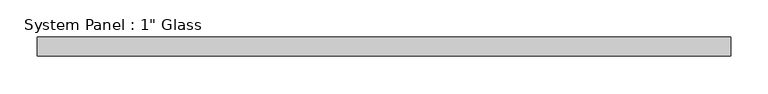
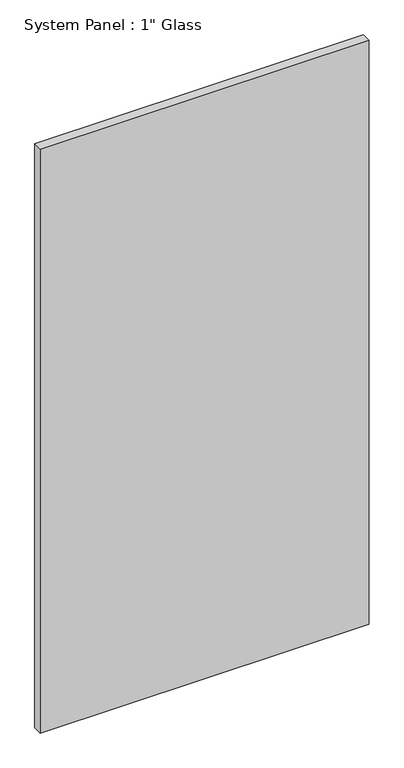
"""IFC4 building model written with IfcOpenShell, lengths in millimetres: plate geometry."""

from ifc_helpers import new_model, si_unit, origin, origin_with_axes, place, context, project, spatial, polyline, outline, extrude, source, transform, mapped, element, save


def plate_b0a1d7b6(model_context):
    return source(origin(), model_context, "Body", "SweptSolid", [
        extrude(outline(polyline([(463.4799025, -12.7), (-463.4799025, -12.7), (-463.4799025, 12.7), (463.4799025, 12.7), (463.4799025, -12.7)])), origin_with_axes(), (0.0, 0.0, 1.0), 1739.9),
    ])


if __name__ == "__main__":
    model = new_model("IFC4")
    model_context = context("Model", 3, world=origin())
    ifc_project = project(units=[si_unit("LENGTHUNIT", "METRE", prefix="MILLI")], contexts=[model_context])
    site = spatial("IfcSite", under=ifc_project)
    building = spatial("IfcBuilding", under=site)
    placement = place(None, origin())
    plate_shape = plate_b0a1d7b6(model_context)
    element("IfcPlate", 1, ObjectType="System Panel : 1\" Glass", at=placement, inside=building, context=model_context, shape_type="MappedRepresentation", body=[
        mapped(plate_shape, transform((0.0, 0.0, 0.0), x_axis=(1.0, 0.0, 0.0), y_axis=(0.0, 1.0, 0.0), z_axis=(0.0, 0.0, 1.0))),
    ])
    save(model, "model.ifc")
